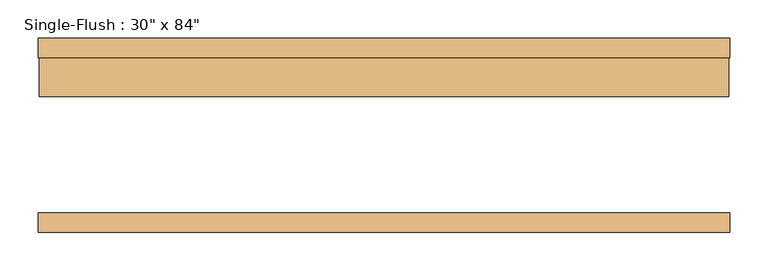
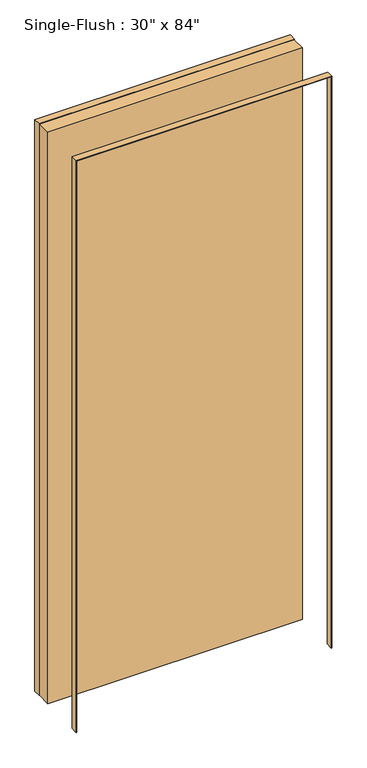
"""IFC4 building model written with IfcOpenShell, lengths in millimetres: door geometry."""

from ifc_helpers import new_model, si_unit, frame, origin, origin_with_axes, place, context, project, spatial, polyline, outline, extrude, source, transform, mapped, element, save


def door_6d4a9aff(model_context):
    return source(origin(), model_context, "Body", "SweptSolid", [
        extrude(outline(polyline([(2135.1875, -451.5875), (0.0, -451.5875), (0.0, -450.0), (2133.6, -450.0), (2133.6, 450.0), (0.0, 450.0), (0.0, 451.5875), (2135.1875, 451.5875), (2135.1875, -451.5875)])), frame((0.0, 101.6, 0.0), z_axis=(0.0, 1.0, 0.0), x_axis=(0.0, 0.0, 1.0)), (0.0, 0.0, 1.0), 25.4),
        extrude(outline(polyline([(2135.1875, 451.5875), (2135.1875, -451.5875), (0.0, -451.5875), (0.0, -450.0), (2133.6, -450.0), (2133.6, 450.0), (0.0, 450.0), (0.0, 451.5875), (2135.1875, 451.5875)])), frame((0.0, -127.0, 0.0), z_axis=(0.0, 1.0, 0.0), x_axis=(0.0, 0.0, 1.0)), (0.0, 0.0, 1.0), 25.4),
        extrude(outline(polyline([(450.0, 50.8), (-450.0, 50.8), (-450.0, 101.6), (450.0, 101.6), (450.0, 50.8)])), origin_with_axes(), (0.0, 0.0, 1.0), 2133.6),
    ])


if __name__ == "__main__":
    model = new_model("IFC4")
    model_context = context("Model", 3, world=origin())
    ifc_project = project(units=[si_unit("LENGTHUNIT", "METRE", prefix="MILLI")], contexts=[model_context])
    site = spatial("IfcSite", under=ifc_project)
    building = spatial("IfcBuilding", under=site)
    placement = place(None, origin())
    door_shape = door_6d4a9aff(model_context)
    element("IfcDoor", 1, ObjectType="Single-Flush : 30\" x 84\"", at=placement, inside=building, context=model_context, shape_type="MappedRepresentation", body=[
        mapped(door_shape, transform((0.0, 0.0, 0.0), x_axis=(1.0, 0.0, 0.0), y_axis=(0.0, 1.0, 0.0), z_axis=(0.0, 0.0, 1.0))),
    ])
    save(model, "model.ifc")
